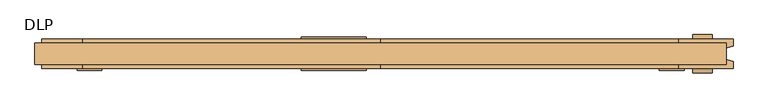
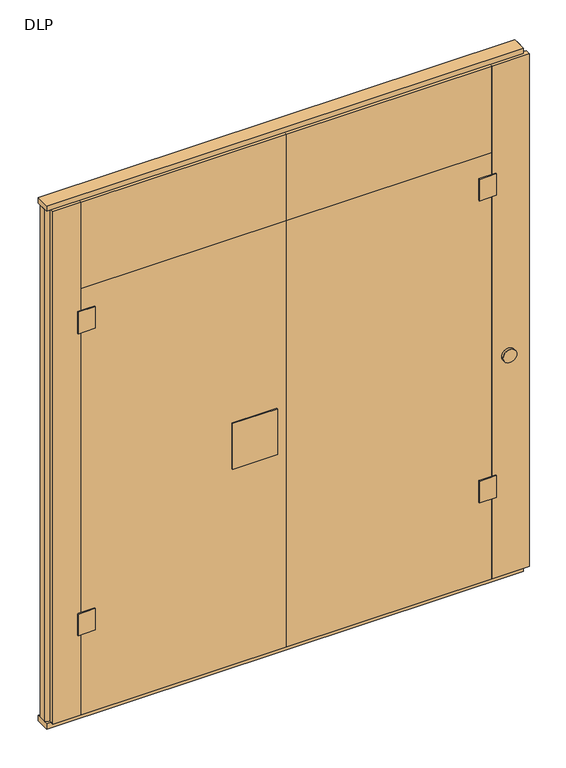
"""IFC4 building model written with IfcOpenShell, lengths in millimetres: door geometry, DLP."""

from ifc_helpers import new_model, si_unit, point, frame, frame_2d, origin, origin_with_axes, place, context, project, spatial, polyline, circle_curve, trimmed, segment, composite_curve, outline, extrude, source, transform, mapped, element, save


def dlp_4d3c3aa2(model_context):
    return source(origin(), model_context, "Body", "SweptSolid", [
        extrude(outline(polyline([(842.5000001, -45.0), (917.5000001, -45.0), (917.5000001, -50.0), (842.5000001, -50.0), (842.5000001, -45.0)])), frame((0.0, 0.0, 1800.0), z_axis=(0.0, 0.0, 1.0), x_axis=(1.0, 0.0, 0.0)), (0.0, 0.0, 1.0), 100.0),
        extrude(outline(polyline([(842.5000001, -45.0), (917.5000001, -45.0), (917.5000001, -50.0), (842.5000001, -50.0), (842.5000001, -45.0)])), frame((0.0, 0.0, 400.0), z_axis=(0.0, 0.0, 1.0), x_axis=(1.0, 0.0, 0.0)), (0.0, 0.0, 1.0), 100.0),
        extrude(outline(polyline([(1e-07, -45.0), (1e-07, 45.0), (900.0000001, 45.0), (900.0000001, -45.0), (1e-07, -45.0)])), frame((0.0, 0.0, 25.0), z_axis=(0.0, 0.0, 1.0), x_axis=(1.0, 0.0, 0.0)), (0.0, 0.0, 1.0), 1975.0),
        extrude(outline(polyline([(-842.4999999, -45.0), (-842.4999999, -50.0), (-917.4999999, -50.0), (-917.4999999, -45.0), (-842.4999999, -45.0)])), frame((0.0, 0.0, 1800.0), z_axis=(0.0, 0.0, 1.0), x_axis=(1.0, 0.0, 0.0)), (0.0, 0.0, 1.0), 100.0),
        extrude(outline(polyline([(-842.4999999, -45.0), (-842.4999999, -50.0), (-917.4999999, -50.0), (-917.4999999, -45.0), (-842.4999999, -45.0)])), frame((0.0, 0.0, 400.0), z_axis=(0.0, 0.0, 1.0), x_axis=(1.0, 0.0, 0.0)), (0.0, 0.0, 1.0), 100.0),
        extrude(outline(polyline([(-239.9999999, -50.0), (-239.9999999, -45.0), (-42.9999999, -45.0), (-42.9999999, -50.0), (-239.9999999, -50.0)])), frame((0.0, 0.0, 934.0), z_axis=(0.0, 0.0, 1.0), x_axis=(1.0, 0.0, 0.0)), (0.0, 0.0, 1.0), 212.0),
        extrude(outline(polyline([(-239.9999999, 45.0), (-239.9999999, 50.0), (-42.9999999, 50.0), (-42.9999999, 45.0), (-239.9999999, 45.0)])), frame((0.0, 0.0, 934.0), z_axis=(0.0, 0.0, 1.0), x_axis=(1.0, 0.0, 0.0)), (0.0, 0.0, 1.0), 212.0),
        extrude(outline(polyline([(-899.9999999, -45.0), (-899.9999999, 45.0), (1e-07, 45.0), (1e-07, -45.0), (-899.9999999, -45.0)])), frame((0.0, 0.0, 25.0), z_axis=(0.0, 0.0, 1.0), x_axis=(1.0, 0.0, 0.0)), (0.0, 0.0, 1.0), 1975.0),
        extrude(outline(polyline([(1e-07, 45.0), (900.0000001, 45.0), (900.0000001, -45.0), (1e-07, -45.0), (1e-07, 45.0)])), frame((0.0, 0.0, 2000.0), z_axis=(0.0, 0.0, 1.0), x_axis=(1.0, 0.0, 0.0)), (0.0, 0.0, 1.0), 402.0),
        extrude(outline(polyline([(1e-07, 45.0), (1e-07, -45.0), (-899.9999999, -45.0), (-899.9999999, 45.0), (1e-07, 45.0)])), frame((0.0, 0.0, 2000.0), z_axis=(0.0, 0.0, 1.0), x_axis=(1.0, 0.0, 0.0)), (0.0, 0.0, 1.0), 402.0),
        extrude(outline(polyline([(1045.0000001, 32.0), (1045.0000001, -32.0), (-1044.9999999, -32.0), (-1044.9999999, 32.0), (1045.0000001, 32.0)])), origin_with_axes(), (0.0, 0.0, 1.0), 25.0),
        extrude(outline(polyline([(1045.0000001, 32.0), (1045.0000001, -32.0), (-1044.9999999, -32.0), (-1044.9999999, 32.0), (1045.0000001, 32.0)])), frame((0.0, 0.0, 2402.0), z_axis=(0.0, 0.0, 1.0), x_axis=(1.0, 0.0, 0.0)), (0.0, 0.0, 1.0), 25.0),
        extrude(outline(polyline([(900.0, -45.0), (900.0, 45.0), (1065.0, 45.0), (1065.0, 22.9993165), (1045.0, 17.6401049), (1045.0, -17.6401049), (1065.0, -22.9993165), (1065.0, -45.0), (900.0, -45.0)])), frame((0.0, 0.0, 25.0), z_axis=(0.0, 0.0, 1.0), x_axis=(1.0, 0.0, 0.0)), (0.0, 0.0, 1.0), 2377.0),
        extrude(outline(polyline([(-1025.0, -45.0), (-1025.0, -22.9993165), (-1045.0, -17.6401049), (-1045.0, 17.6401049), (-1025.0, 22.9993165), (-1025.0, 45.0), (-900.0, 45.0), (-900.0, -45.0), (-1025.0, -45.0)])), frame((0.0, 0.0, 25.0), z_axis=(0.0, 0.0, 1.0), x_axis=(1.0, 0.0, 0.0)), (0.0, 0.0, 1.0), 2377.0),
        extrude(outline(composite_curve([segment(trimmed(circle_curve(frame_2d((1040.0, 972.5000001)), 30.0), [point((1040.0, 1002.5000001))], [point((1040.0, 942.5000001))], False, "CARTESIAN"), True, "CONTINUOUS"), segment(trimmed(circle_curve(frame_2d((1040.0, 972.5000001)), 30.0), [point((1040.0, 942.5000001))], [point((1040.0, 1002.5000001))], False, "CARTESIAN"), True, "CONTINUOUS")], self_intersect=False)), frame((0.0, 45.0, 0.0), z_axis=(0.0, 1.0, 0.0), x_axis=(0.0, 0.0, 1.0)), (0.0, 0.0, 1.0), 12.5),
        extrude(outline(composite_curve([segment(trimmed(circle_curve(frame_2d((1040.0, 972.5000001)), 30.0), [point((1040.0, 1002.5000001))], [point((1040.0, 942.5000001))], False, "CARTESIAN"), True, "CONTINUOUS"), segment(trimmed(circle_curve(frame_2d((1040.0, 972.5000001)), 30.0), [point((1040.0, 942.5000001))], [point((1040.0, 1002.5000001))], False, "CARTESIAN"), True, "CONTINUOUS")], self_intersect=False)), frame((0.0, -57.5, 0.0), z_axis=(0.0, 1.0, 0.0), x_axis=(0.0, 0.0, 1.0)), (0.0, 0.0, 1.0), 12.5),
    ])


if __name__ == "__main__":
    model = new_model("IFC4")
    model_context = context("Model", 3, world=origin())
    ifc_project = project(units=[si_unit("LENGTHUNIT", "METRE", prefix="MILLI")], contexts=[model_context])
    site = spatial("IfcSite", under=ifc_project)
    building = spatial("IfcBuilding", under=site)
    placement = place(None, origin())
    dlp_shape = dlp_4d3c3aa2(model_context)
    element("IfcDoor", 1, ObjectType="DLP", at=placement, inside=building, context=model_context, shape_type="MappedRepresentation", body=[
        mapped(dlp_shape, transform((0.0, 0.0, 0.0), x_axis=(1.0, 0.0, 0.0), y_axis=(0.0, 1.0, 0.0), z_axis=(0.0, 0.0, 1.0))),
    ])
    save(model, "model.ifc")
